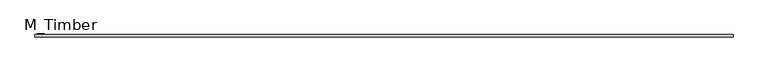
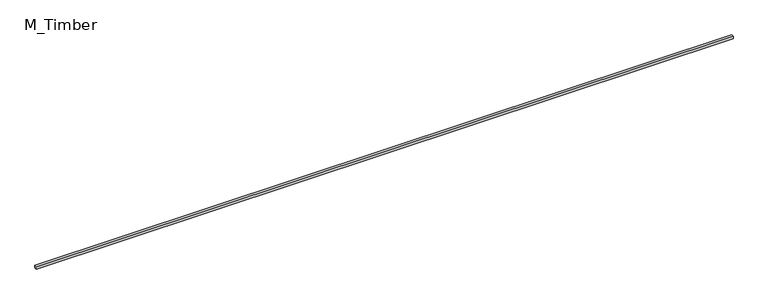
"""IFC4 building model written with IfcOpenShell, lengths in millimetres: beam geometry, M_Timber."""

import ifcopenshell
import ifcopenshell.guid

model = None  # the IFC model being written
_history = None  # IfcOwnerHistory: only IFC2X3 demands one
_inside = {}  # id of a spatial element -> (the spatial element, [elements in it])
_under = {}  # id of a project, library or spatial element -> (it, [spatial elements below it])
_declared = {}  # id of a project -> (the project, [libraries it declares])
_typed = {}  # id of a type object -> (the type object, [elements of that type])
_made_of = {}  # id of a material, layer set ... -> (it, [elements and type objects made of it])


def new_model(schema):
    """Start an empty IFC model of exactly this schema.

    Asked for "IFC4X3", IfcOpenShell would pick the latest addendum, in which some entities
    have other attributes; the version numbers below select the first issue.
    IFC2X3 requires an IfcOwnerHistory on every rooted entity: one is made here for all.
    """
    global model, _history
    if schema == "IFC4X3":
        model = ifcopenshell.file(schema_version=(4, 3, 0, 0))
    else:
        model = ifcopenshell.file(schema=schema)
    _inside.clear()
    _under.clear()
    _declared.clear()
    _typed.clear()
    _made_of.clear()
    _history = None
    if model.schema == "IFC2X3":
        org = make("IfcOrganization", Name="unknown")
        user = make(
            "IfcPersonAndOrganization",
            ThePerson=make("IfcPerson", FamilyName="unknown"),
            TheOrganization=org,
        )
        app = make(
            "IfcApplication",
            ApplicationDeveloper=org,
            Version="unknown",
            ApplicationFullName="unknown",
            ApplicationIdentifier="unknown",
        )
        _history = make(
            "IfcOwnerHistory",
            OwningUser=user,
            OwningApplication=app,
            ChangeAction="ADDED",
            CreationDate=0,
        )
    return model


def make(cls, **values):
    """One entity of the class cls with the attributes given. An attribute that is None is left unset."""
    return model.create_entity(
        cls, **{name: value for name, value in values.items() if value is not None}
    )


def rooted(cls, **values):
    """An entity with a GlobalId (a new one), such as an element, a storey or a relation."""
    return make(cls, GlobalId=ifcopenshell.guid.new(), OwnerHistory=_history, **values)


def si_unit(unit_type, name, prefix=None):
    """IfcSIUnit, for example si_unit("LENGTHUNIT", "METRE", prefix="MILLI")."""
    return make("IfcSIUnit", UnitType=unit_type, Prefix=prefix, Name=name)


def assignment(units):
    """IfcUnitAssignment: the units of a project."""
    return None if units is None else make("IfcUnitAssignment", Units=units)


def point(xyz):
    """IfcCartesianPoint."""
    return None if xyz is None else make("IfcCartesianPoint", Coordinates=xyz)


def direction(xyz):
    """IfcDirection."""
    return None if xyz is None else make("IfcDirection", DirectionRatios=xyz)


def frame(location, z_axis=None, x_axis=None):
    """IfcAxis2Placement3D, a coordinate frame: its origin and axes. An axis left out is left unset."""
    return make(
        "IfcAxis2Placement3D",
        Location=point(location),
        Axis=direction(z_axis),
        RefDirection=direction(x_axis),
    )


def origin():
    """The frame at (0, 0, 0) with its axes left unset."""
    return frame((0.0, 0.0, 0.0))


def place(relative_to, where):
    """IfcLocalPlacement: puts the frame where relative to a parent placement (None: the world)."""
    return make(
        "IfcLocalPlacement", PlacementRelTo=relative_to, RelativePlacement=where
    )


def context(
    kind, dimensions, precision=None, world=None, true_north=None, identifier=None
):
    """IfcGeometricRepresentationContext, for example the 3D "Model" context."""
    return make(
        "IfcGeometricRepresentationContext",
        ContextIdentifier=identifier,
        ContextType=kind,
        CoordinateSpaceDimension=dimensions,
        Precision=precision,
        WorldCoordinateSystem=world,
        TrueNorth=true_north,
    )


def project(units=None, contexts=None):
    """IfcProject with its units and contexts."""
    return rooted(
        "IfcProject",
        Name="project",
        RepresentationContexts=contexts,
        UnitsInContext=assignment(units),
    )


def spatial(cls, under=None, at=None, **own):
    """A site, building, storey or space (cls), placed at a placement, below another one or the project."""
    s = rooted(cls, ObjectPlacement=at, **own)
    if under is not None:
        _under.setdefault(under.id(), (under, []))[1].append(s)
    return s


def polyline(points):
    """IfcPolyline through the points."""
    return make("IfcPolyline", Points=[point(p) for p in points])


def outline(outer, holes=None, kind="AREA"):
    """IfcArbitraryClosedProfileDef: a profile drawn as a closed curve; with holes, ...WithVoids."""
    if holes is None:
        return make("IfcArbitraryClosedProfileDef", ProfileType=kind, OuterCurve=outer)
    return make(
        "IfcArbitraryProfileDefWithVoids",
        ProfileType=kind,
        OuterCurve=outer,
        InnerCurves=holes,
    )


def extrude(swept, where, along, depth):
    """IfcExtrudedAreaSolid: the profile swept, set in the frame where, extruded along a direction by depth."""
    return make(
        "IfcExtrudedAreaSolid",
        SweptArea=swept,
        Position=where,
        ExtrudedDirection=direction(along),
        Depth=depth,
    )


def shape(context_of_items, identifier, shape_type, items):
    """IfcShapeRepresentation: the items that make up one representation, for example the "Body"."""
    return make(
        "IfcShapeRepresentation",
        ContextOfItems=context_of_items,
        RepresentationIdentifier=identifier,
        RepresentationType=shape_type,
        Items=items,
    )


def source(mapping_origin, context_of_items, identifier, shape_type, items):
    """IfcRepresentationMap: a shape defined once, which mapped items show again and again."""
    return make(
        "IfcRepresentationMap",
        MappingOrigin=mapping_origin,
        MappedRepresentation=shape(context_of_items, identifier, shape_type, items),
    )


def transform(
    local_origin,
    x_axis=None,
    y_axis=None,
    z_axis=None,
    scale=None,
    scale2=None,
    scale3=None,
    uniform=True,
):
    """IfcCartesianTransformationOperator3D, or its non-uniform kind. x_axis, y_axis, z_axis: its Axis1, 2, 3."""
    if uniform:
        return make(
            "IfcCartesianTransformationOperator3D",
            Axis1=direction(x_axis),
            Axis2=direction(y_axis),
            LocalOrigin=point(local_origin),
            Scale=scale,
            Axis3=direction(z_axis),
        )
    return make(
        "IfcCartesianTransformationOperator3DnonUniform",
        Axis1=direction(x_axis),
        Axis2=direction(y_axis),
        LocalOrigin=point(local_origin),
        Scale=scale,
        Axis3=direction(z_axis),
        Scale2=scale2,
        Scale3=scale3,
    )


def mapped(mapping_source, mapping_target):
    """IfcMappedItem: shows the shape of a source again, moved by a transform."""
    return make(
        "IfcMappedItem", MappingSource=mapping_source, MappingTarget=mapping_target
    )


def made_of(thing, what):
    """Note that an element or type object is made of a material, layer set ...; save() writes the relation."""
    if what is not None:
        _made_of.setdefault(what.id(), (what, []))[1].append(thing)
    return thing


def element(
    cls,
    number,
    at=None,
    inside=None,
    cuts=None,
    type_object=None,
    material=None,
    context=None,
    identifier="Body",
    shape_type=None,
    held_by="IfcProductDefinitionShape",
    body=None,
    shapes=None,
    **own,
):
    """One element of the class cls, such as IfcWall. Its Tag is "e" and its number.

    at: its placement. inside: the storey or other place that contains it. cuts: it is an
    opening in that element (IfcRelVoidsElement). A single representation is given by context,
    identifier, shape_type and body (its items); several are given by shapes. held_by: the class
    of the entity that holds the representations. save() writes the other relations.
    """
    e = rooted(cls, Tag="e%d" % number, ObjectPlacement=at, **own)
    if body is not None:
        shapes = [shape(context, identifier, shape_type, body)]
    if shapes is not None:
        e.Representation = make(held_by, Representations=shapes)
    if inside is not None:
        _inside.setdefault(inside.id(), (inside, []))[1].append(e)
    if cuts is not None:
        rooted(
            "IfcRelVoidsElement", RelatingBuildingElement=cuts, RelatedOpeningElement=e
        )
    if type_object is not None:
        _typed.setdefault(type_object.id(), (type_object, []))[1].append(e)
    return made_of(e, material)


def aggregate(whole, parts):
    """IfcRelAggregates: a whole, such as a stair, and the parts it consists of."""
    return rooted("IfcRelAggregates", RelatingObject=whole, RelatedObjects=parts)


def save(model, path):
    """Write the relations noted so far, then the file.

    IfcRelAggregates (storeys below a building ...), IfcRelContainedInSpatialStructure (elements
    in a storey), IfcRelDefinesByType, IfcRelAssociatesMaterial and IfcRelDeclares: one each for
    every whole, place, type object, material and project.
    """
    for whole, parts in _under.values():
        aggregate(whole, parts)
    for where, things in _inside.values():
        rooted(
            "IfcRelContainedInSpatialStructure",
            RelatedElements=things,
            RelatingStructure=where,
        )
    for kind, things in _typed.values():
        rooted("IfcRelDefinesByType", RelatedObjects=things, RelatingType=kind)
    for what, things in _made_of.values():
        rooted("IfcRelAssociatesMaterial", RelatedObjects=things, RelatingMaterial=what)
    for by, libraries in _declared.values():
        rooted("IfcRelDeclares", RelatingContext=by, RelatedDefinitions=libraries)
    model.write(path)


def m_timber_5738f4aa(model_context):
    return source(origin(), model_context, "Body", "SweptSolid", [
        extrude(outline(polyline([(8192.8965721, 30.0), (8192.8965721, -30.0), (-8192.8965721, -30.0), (-8192.8965721, 30.0), (8192.8965721, 30.0)])), frame((0.0, 0.0, -30.0), z_axis=(0.0, 0.0, 1.0), x_axis=(1.0, 0.0, 0.0)), (0.0, 0.0, 1.0), 60.0),
    ])


if __name__ == "__main__":
    model = new_model("IFC4")
    model_context = context("Model", 3, world=origin())
    ifc_project = project(units=[si_unit("LENGTHUNIT", "METRE", prefix="MILLI")], contexts=[model_context])
    site = spatial("IfcSite", under=ifc_project)
    building = spatial("IfcBuilding", under=site)
    placement = place(None, origin())
    m_timber_shape = m_timber_5738f4aa(model_context)
    element("IfcBeam", 1, ObjectType="M_Timber", at=placement, inside=building, context=model_context, shape_type="MappedRepresentation", body=[
        mapped(m_timber_shape, transform((0.0, 0.0, 0.0), x_axis=(1.0, 0.0, 0.0), y_axis=(0.0, 1.0, 0.0), z_axis=(0.0, 0.0, 1.0))),
    ])
    save(model, "model.ifc")
